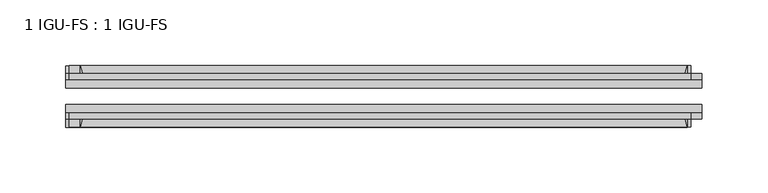
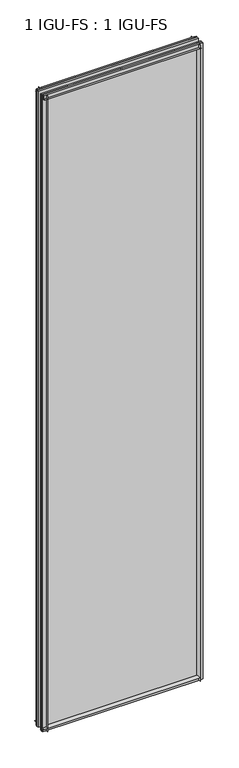
"""IFC4 building model written with IfcOpenShell, lengths in millimetres: plate geometry, 1 IGU-FS : 1 IGU-FS."""

from ifc_helpers import new_model, si_unit, point, frame, frame_2d, origin, place, context, project, spatial, polyline, circle_curve, trimmed, segment, composite_curve, outline, extrude, source, transform, mapped, element, save


def plate_1_igu_fs_1_igu_fs_5a18a641(model_context):
    return source(origin(), model_context, "Body", "SweptSolid", [
        extrude(outline(composite_curve([segment(polyline([(-40.084375, 3.8978906), (-40.084375, -10.3378), (-44.859575, -10.3378), (-44.859575, 0.0), (-50.8285753, 0.0)]), True, "CONTINUOUS"), segment(trimmed(circle_curve(frame_2d((-56.4601953, 32.279754)), 32.7673262), [point((-50.8285753, 0.0))], [point((-40.084375, 3.8978906))], True, "CARTESIAN"), True, "CONTINUOUS")], self_intersect=False)), frame((-242.3424583, 0.0, 0.0), z_axis=(1.0, 0.0, 0.0), x_axis=(0.0, 1.0, 0.0)), (0.0, 0.0, 1.0), 473.5724167),
        extrude(outline(composite_curve([segment(polyline([(-3.940175, 0.0), (-9.909175, 0.0), (-9.909175, -10.3378), (-14.684375, -10.3378), (-14.684375, 3.8978906)]), True, "CONTINUOUS"), segment(trimmed(circle_curve(frame_2d((1.6914453, 32.279754)), 32.7673262), [point((-14.684375, 3.8978906))], [point((-3.940175, 0.0))], True, "CARTESIAN"), True, "CONTINUOUS")], self_intersect=False)), frame((-242.3424583, 0.0, 0.0), z_axis=(1.0, 0.0, 0.0), x_axis=(0.0, 1.0, 0.0)), (0.0, 0.0, 1.0), 473.5724167),
        extrude(outline(composite_curve([segment(polyline([(-9.909175, 2020.8875), (-9.909175, 2009.775), (-3.9401753, 2009.775)]), True, "CONTINUOUS"), segment(trimmed(circle_curve(frame_2d((1.6914453, 1977.4952461)), 32.7673262), [point((-3.9401753, 2009.775))], [point((-14.684375, 2005.8771095))], True, "CARTESIAN"), True, "CONTINUOUS"), segment(polyline([(-14.684375, 2005.8771095), (-14.684375, 2020.8875), (-9.909175, 2020.8875)]), True, "CONTINUOUS")], self_intersect=False)), frame((-239.742697, 0.0, 0.0), z_axis=(1.0, 0.0, 0.0), x_axis=(0.0, 1.0, 0.0)), (0.0, 0.0, 1.0), 473.5186168),
        extrude(outline(composite_curve([segment(polyline([(-40.084375, 2020.8875), (-40.084375, 2005.8771095)]), True, "CONTINUOUS"), segment(trimmed(circle_curve(frame_2d((-56.4601953, 1977.4952461)), 32.7673262), [point((-40.084375, 2005.8771095))], [point((-50.8285747, 2009.775))], True, "CARTESIAN"), True, "CONTINUOUS"), segment(polyline([(-50.8285747, 2009.775), (-44.859575, 2009.775), (-44.859575, 2020.8875), (-40.084375, 2020.8875)]), True, "CONTINUOUS")], self_intersect=False)), frame((-239.742697, 0.0, 0.0), z_axis=(1.0, 0.0, 0.0), x_axis=(0.0, 1.0, 0.0)), (0.0, 0.0, 1.0), 473.5186168),
        extrude(outline(composite_curve([segment(polyline([(242.3424583, -9.909175), (242.3424583, -14.684375), (227.3320678, -14.684375)]), True, "CONTINUOUS"), segment(trimmed(circle_curve(frame_2d((198.9502044, 1.6914453)), 32.7673262), [point((227.3320678, -14.684375))], [point((231.2299583, -3.940175))], True, "CARTESIAN"), True, "CONTINUOUS"), segment(polyline([(231.2299583, -3.940175), (231.2299583, -9.909175), (242.3424583, -9.909175)]), True, "CONTINUOUS")], self_intersect=False)), frame((0.0, 0.0, -10.31875), z_axis=(0.0, 0.0, 1.0), x_axis=(1.0, 0.0, 0.0)), (0.0, 0.0, 1.0), 2031.20625),
        extrude(outline(composite_curve([segment(polyline([(242.3424583, -40.084375), (242.3424583, -44.859575), (231.2299583, -44.859575), (231.2299583, -50.828575)]), True, "CONTINUOUS"), segment(trimmed(circle_curve(frame_2d((198.9502044, -56.4601953)), 32.7673262), [point((231.2299583, -50.828575))], [point((227.3320678, -40.084375))], True, "CARTESIAN"), True, "CONTINUOUS"), segment(polyline([(227.3320678, -40.084375), (242.3424583, -40.084375)]), True, "CONTINUOUS")], self_intersect=False)), frame((0.0, 0.0, -10.31875), z_axis=(0.0, 0.0, 1.0), x_axis=(1.0, 0.0, 0.0)), (0.0, 0.0, 1.0), 2031.20625),
        extrude(outline(composite_curve([segment(polyline([(-242.3424583, -9.909175), (-231.2299583, -9.909175), (-231.2299583, -3.940175)]), True, "CONTINUOUS"), segment(trimmed(circle_curve(frame_2d((-198.9502044, 1.6914453)), 32.7673262), [point((-231.2299583, -3.940175))], [point((-227.3320678, -14.684375))], True, "CARTESIAN"), True, "CONTINUOUS"), segment(polyline([(-227.3320678, -14.684375), (-242.3424583, -14.684375), (-242.3424583, -9.909175)]), True, "CONTINUOUS")], self_intersect=False)), frame((0.0, 0.0, -10.31875), z_axis=(0.0, 0.0, 1.0), x_axis=(1.0, 0.0, 0.0)), (0.0, 0.0, 1.0), 2031.20625),
        extrude(outline(composite_curve([segment(polyline([(-242.3424583, -44.859575), (-242.3424583, -40.084375), (-227.3320678, -40.084375)]), True, "CONTINUOUS"), segment(trimmed(circle_curve(frame_2d((-198.9502044, -56.4601953)), 32.7673262), [point((-227.3320678, -40.084375))], [point((-231.2299583, -50.828575))], True, "CARTESIAN"), True, "CONTINUOUS"), segment(polyline([(-231.2299583, -50.828575), (-231.2299583, -44.859575), (-242.3424583, -44.859575)]), True, "CONTINUOUS")], self_intersect=False)), frame((0.0, 0.0, -10.31875), z_axis=(0.0, 0.0, 1.0), x_axis=(1.0, 0.0, 0.0)), (0.0, 0.0, 1.0), 2031.20625),
        extrude(outline(polyline([(-242.3424583, -40.084375), (-242.3424583, -33.785175), (242.3424583, -33.785175), (242.3424583, -40.084375), (-242.3424583, -40.084375)])), frame((0.0, 0.0, -10.31875), z_axis=(0.0, 0.0, 1.0), x_axis=(1.0, 0.0, 0.0)), (0.0, 0.0, 1.0), 2031.20625),
        extrude(outline(polyline([(242.3424583, -20.983575), (-242.3424583, -20.983575), (-242.3424583, -14.684375), (242.3424583, -14.684375), (242.3424583, -20.983575)])), frame((0.0, 0.0, -10.31875), z_axis=(0.0, 0.0, 1.0), x_axis=(1.0, 0.0, 0.0)), (0.0, 0.0, 1.0), 2031.20625),
    ])


if __name__ == "__main__":
    model = new_model("IFC4")
    model_context = context("Model", 3, world=origin())
    ifc_project = project(units=[si_unit("LENGTHUNIT", "METRE", prefix="MILLI")], contexts=[model_context])
    site = spatial("IfcSite", under=ifc_project)
    building = spatial("IfcBuilding", under=site)
    placement = place(None, origin())
    plate_1_igu_fs_1_igu_fs_shape = plate_1_igu_fs_1_igu_fs_5a18a641(model_context)
    element("IfcPlate", 1, ObjectType="1 IGU-FS : 1 IGU-FS", at=placement, inside=building, context=model_context, shape_type="MappedRepresentation", body=[
        mapped(plate_1_igu_fs_1_igu_fs_shape, transform((0.0, 0.0, 0.0), x_axis=(1.0, 0.0, 0.0), y_axis=(0.0, 1.0, 0.0), z_axis=(0.0, 0.0, 1.0))),
    ])
    save(model, "model.ifc")
